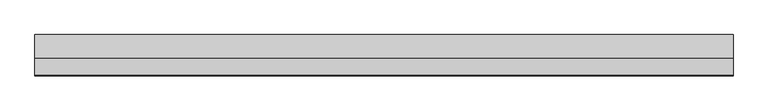
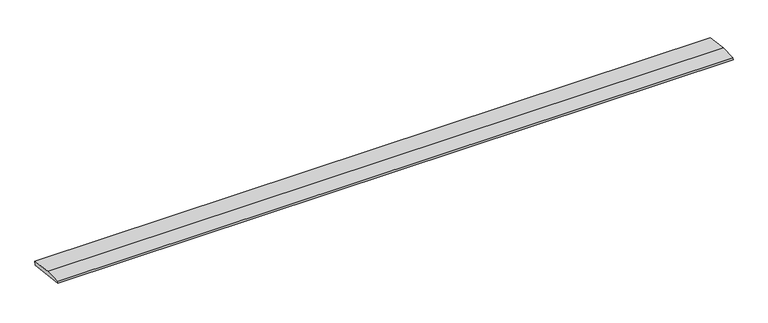
"""IFC4 building model written with IfcOpenShell, lengths in millimetres: beam geometry."""

import ifcopenshell
import ifcopenshell.guid

model = None  # the IFC model being written
_history = None  # IfcOwnerHistory: only IFC2X3 demands one
_inside = {}  # id of a spatial element -> (the spatial element, [elements in it])
_under = {}  # id of a project, library or spatial element -> (it, [spatial elements below it])
_declared = {}  # id of a project -> (the project, [libraries it declares])
_typed = {}  # id of a type object -> (the type object, [elements of that type])
_made_of = {}  # id of a material, layer set ... -> (it, [elements and type objects made of it])


def new_model(schema):
    """Start an empty IFC model of exactly this schema.

    Asked for "IFC4X3", IfcOpenShell would pick the latest addendum, in which some entities
    have other attributes; the version numbers below select the first issue.
    IFC2X3 requires an IfcOwnerHistory on every rooted entity: one is made here for all.
    """
    global model, _history
    if schema == "IFC4X3":
        model = ifcopenshell.file(schema_version=(4, 3, 0, 0))
    else:
        model = ifcopenshell.file(schema=schema)
    _inside.clear()
    _under.clear()
    _declared.clear()
    _typed.clear()
    _made_of.clear()
    _history = None
    if model.schema == "IFC2X3":
        org = make("IfcOrganization", Name="unknown")
        user = make(
            "IfcPersonAndOrganization",
            ThePerson=make("IfcPerson", FamilyName="unknown"),
            TheOrganization=org,
        )
        app = make(
            "IfcApplication",
            ApplicationDeveloper=org,
            Version="unknown",
            ApplicationFullName="unknown",
            ApplicationIdentifier="unknown",
        )
        _history = make(
            "IfcOwnerHistory",
            OwningUser=user,
            OwningApplication=app,
            ChangeAction="ADDED",
            CreationDate=0,
        )
    return model


def make(cls, **values):
    """One entity of the class cls with the attributes given. An attribute that is None is left unset."""
    return model.create_entity(
        cls, **{name: value for name, value in values.items() if value is not None}
    )


def rooted(cls, **values):
    """An entity with a GlobalId (a new one), such as an element, a storey or a relation."""
    return make(cls, GlobalId=ifcopenshell.guid.new(), OwnerHistory=_history, **values)


def si_unit(unit_type, name, prefix=None):
    """IfcSIUnit, for example si_unit("LENGTHUNIT", "METRE", prefix="MILLI")."""
    return make("IfcSIUnit", UnitType=unit_type, Prefix=prefix, Name=name)


def assignment(units):
    """IfcUnitAssignment: the units of a project."""
    return None if units is None else make("IfcUnitAssignment", Units=units)


def point(xyz):
    """IfcCartesianPoint."""
    return None if xyz is None else make("IfcCartesianPoint", Coordinates=xyz)


def direction(xyz):
    """IfcDirection."""
    return None if xyz is None else make("IfcDirection", DirectionRatios=xyz)


def frame(location, z_axis=None, x_axis=None):
    """IfcAxis2Placement3D, a coordinate frame: its origin and axes. An axis left out is left unset."""
    return make(
        "IfcAxis2Placement3D",
        Location=point(location),
        Axis=direction(z_axis),
        RefDirection=direction(x_axis),
    )


def origin():
    """The frame at (0, 0, 0) with its axes left unset."""
    return frame((0.0, 0.0, 0.0))


def place(relative_to, where):
    """IfcLocalPlacement: puts the frame where relative to a parent placement (None: the world)."""
    return make(
        "IfcLocalPlacement", PlacementRelTo=relative_to, RelativePlacement=where
    )


def context(
    kind, dimensions, precision=None, world=None, true_north=None, identifier=None
):
    """IfcGeometricRepresentationContext, for example the 3D "Model" context."""
    return make(
        "IfcGeometricRepresentationContext",
        ContextIdentifier=identifier,
        ContextType=kind,
        CoordinateSpaceDimension=dimensions,
        Precision=precision,
        WorldCoordinateSystem=world,
        TrueNorth=true_north,
    )


def project(units=None, contexts=None):
    """IfcProject with its units and contexts."""
    return rooted(
        "IfcProject",
        Name="project",
        RepresentationContexts=contexts,
        UnitsInContext=assignment(units),
    )


def spatial(cls, under=None, at=None, **own):
    """A site, building, storey or space (cls), placed at a placement, below another one or the project."""
    s = rooted(cls, ObjectPlacement=at, **own)
    if under is not None:
        _under.setdefault(under.id(), (under, []))[1].append(s)
    return s


def polyline(points):
    """IfcPolyline through the points."""
    return make("IfcPolyline", Points=[point(p) for p in points])


def outline(outer, holes=None, kind="AREA"):
    """IfcArbitraryClosedProfileDef: a profile drawn as a closed curve; with holes, ...WithVoids."""
    if holes is None:
        return make("IfcArbitraryClosedProfileDef", ProfileType=kind, OuterCurve=outer)
    return make(
        "IfcArbitraryProfileDefWithVoids",
        ProfileType=kind,
        OuterCurve=outer,
        InnerCurves=holes,
    )


def extrude(swept, where, along, depth):
    """IfcExtrudedAreaSolid: the profile swept, set in the frame where, extruded along a direction by depth."""
    return make(
        "IfcExtrudedAreaSolid",
        SweptArea=swept,
        Position=where,
        ExtrudedDirection=direction(along),
        Depth=depth,
    )


def shape(context_of_items, identifier, shape_type, items):
    """IfcShapeRepresentation: the items that make up one representation, for example the "Body"."""
    return make(
        "IfcShapeRepresentation",
        ContextOfItems=context_of_items,
        RepresentationIdentifier=identifier,
        RepresentationType=shape_type,
        Items=items,
    )


def source(mapping_origin, context_of_items, identifier, shape_type, items):
    """IfcRepresentationMap: a shape defined once, which mapped items show again and again."""
    return make(
        "IfcRepresentationMap",
        MappingOrigin=mapping_origin,
        MappedRepresentation=shape(context_of_items, identifier, shape_type, items),
    )


def transform(
    local_origin,
    x_axis=None,
    y_axis=None,
    z_axis=None,
    scale=None,
    scale2=None,
    scale3=None,
    uniform=True,
):
    """IfcCartesianTransformationOperator3D, or its non-uniform kind. x_axis, y_axis, z_axis: its Axis1, 2, 3."""
    if uniform:
        return make(
            "IfcCartesianTransformationOperator3D",
            Axis1=direction(x_axis),
            Axis2=direction(y_axis),
            LocalOrigin=point(local_origin),
            Scale=scale,
            Axis3=direction(z_axis),
        )
    return make(
        "IfcCartesianTransformationOperator3DnonUniform",
        Axis1=direction(x_axis),
        Axis2=direction(y_axis),
        LocalOrigin=point(local_origin),
        Scale=scale,
        Axis3=direction(z_axis),
        Scale2=scale2,
        Scale3=scale3,
    )


def mapped(mapping_source, mapping_target):
    """IfcMappedItem: shows the shape of a source again, moved by a transform."""
    return make(
        "IfcMappedItem", MappingSource=mapping_source, MappingTarget=mapping_target
    )


def made_of(thing, what):
    """Note that an element or type object is made of a material, layer set ...; save() writes the relation."""
    if what is not None:
        _made_of.setdefault(what.id(), (what, []))[1].append(thing)
    return thing


def element(
    cls,
    number,
    at=None,
    inside=None,
    cuts=None,
    type_object=None,
    material=None,
    context=None,
    identifier="Body",
    shape_type=None,
    held_by="IfcProductDefinitionShape",
    body=None,
    shapes=None,
    **own,
):
    """One element of the class cls, such as IfcWall. Its Tag is "e" and its number.

    at: its placement. inside: the storey or other place that contains it. cuts: it is an
    opening in that element (IfcRelVoidsElement). A single representation is given by context,
    identifier, shape_type and body (its items); several are given by shapes. held_by: the class
    of the entity that holds the representations. save() writes the other relations.
    """
    e = rooted(cls, Tag="e%d" % number, ObjectPlacement=at, **own)
    if body is not None:
        shapes = [shape(context, identifier, shape_type, body)]
    if shapes is not None:
        e.Representation = make(held_by, Representations=shapes)
    if inside is not None:
        _inside.setdefault(inside.id(), (inside, []))[1].append(e)
    if cuts is not None:
        rooted(
            "IfcRelVoidsElement", RelatingBuildingElement=cuts, RelatedOpeningElement=e
        )
    if type_object is not None:
        _typed.setdefault(type_object.id(), (type_object, []))[1].append(e)
    return made_of(e, material)


def aggregate(whole, parts):
    """IfcRelAggregates: a whole, such as a stair, and the parts it consists of."""
    return rooted("IfcRelAggregates", RelatingObject=whole, RelatedObjects=parts)


def save(model, path):
    """Write the relations noted so far, then the file.

    IfcRelAggregates (storeys below a building ...), IfcRelContainedInSpatialStructure (elements
    in a storey), IfcRelDefinesByType, IfcRelAssociatesMaterial and IfcRelDeclares: one each for
    every whole, place, type object, material and project.
    """
    for whole, parts in _under.values():
        aggregate(whole, parts)
    for where, things in _inside.values():
        rooted(
            "IfcRelContainedInSpatialStructure",
            RelatedElements=things,
            RelatingStructure=where,
        )
    for kind, things in _typed.values():
        rooted("IfcRelDefinesByType", RelatedObjects=things, RelatingType=kind)
    for what, things in _made_of.values():
        rooted("IfcRelAssociatesMaterial", RelatedObjects=things, RelatingMaterial=what)
    for by, libraries in _declared.values():
        rooted("IfcRelDeclares", RelatingContext=by, RelatedDefinitions=libraries)
    model.write(path)


def beam_21b49bcd(model_context):
    return source(origin(), model_context, "Body", "SweptSolid", [
        extrude(outline(polyline([(0.0, -9.143159), (1.1226388, 0.0), (79.0749747, 0.0), (180.9387048, -12.5072934), (178.6231873, -31.3656703), (0.0, -9.143159)])), frame((-1530.4577142, 0.0, 0.0), z_axis=(1.0, 0.0, 0.0), x_axis=(0.0, 1.0, 0.0)), (0.0, 0.0, 1.0), 3060.9154285),
    ])


if __name__ == "__main__":
    model = new_model("IFC4")
    model_context = context("Model", 3, world=origin())
    ifc_project = project(units=[si_unit("LENGTHUNIT", "METRE", prefix="MILLI")], contexts=[model_context])
    site = spatial("IfcSite", under=ifc_project)
    building = spatial("IfcBuilding", under=site)
    placement = place(None, origin())
    beam_shape = beam_21b49bcd(model_context)
    element("IfcBeam", 1, at=placement, inside=building, context=model_context, shape_type="MappedRepresentation", body=[
        mapped(beam_shape, transform((0.0, 0.0, 0.0), x_axis=(1.0, 0.0, 0.0), y_axis=(0.0, 1.0, 0.0), z_axis=(0.0, 0.0, 1.0))),
    ])
    save(model, "model.ifc")
